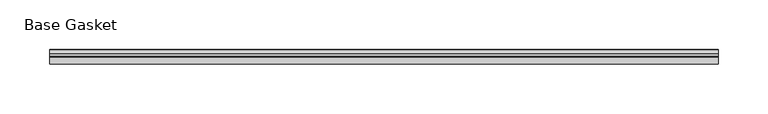
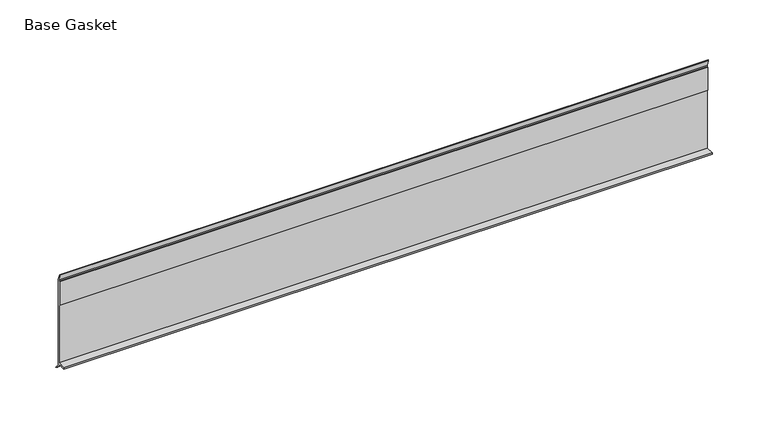
"""IFC4 building model written with IfcOpenShell, lengths in millimetres: furniture geometry, Base Gasket."""

from ifc_helpers import new_model, si_unit, frame, origin, place, context, project, spatial, polyline, outline, extrude, source, transform, mapped, element, save


def base_gasket_cc0168f6(model_context):
    return source(origin(), model_context, "Body", "SweptSolid", [
        extrude(outline(polyline([(3.7283812, 98.4568417), (3.7283812, 4.3498477), (7.4222115, 0.6560174), (7.8482342, 0.0), (6.8281054, 0.3520979), (2.2043812, 4.3498477), (2.1334222, 6.3818476), (-6.2405171, 6.3818476), (-6.2405171, 7.9398773), (2.2043812, 7.9398773), (2.2043812, 71.4693447), (1.4106313, 71.4693447), (1.4106313, 96.8693477), (2.2043812, 96.8693477), (2.2043812, 98.4568417), (0.6755308, 104.4162708), (0.6755308, 105.2002997), (1.1891543, 104.587663), (3.7283812, 98.4568417)])), frame((-1527.8982117, 0.0, 0.0), z_axis=(1.0, 0.0, 0.0), x_axis=(0.0, 1.0, 0.0)), (0.0, 0.0, 1.0), 668.6798568),
    ])


if __name__ == "__main__":
    model = new_model("IFC4")
    model_context = context("Model", 3, world=origin())
    ifc_project = project(units=[si_unit("LENGTHUNIT", "METRE", prefix="MILLI")], contexts=[model_context])
    site = spatial("IfcSite", under=ifc_project)
    building = spatial("IfcBuilding", under=site)
    placement = place(None, origin())
    base_gasket_shape = base_gasket_cc0168f6(model_context)
    element("IfcFurniture", 1, ObjectType="Base Gasket", at=placement, inside=building, context=model_context, shape_type="MappedRepresentation", body=[
        mapped(base_gasket_shape, transform((0.0, 0.0, 0.0), x_axis=(1.0, 0.0, 0.0), y_axis=(0.0, 1.0, 0.0), z_axis=(0.0, 0.0, 1.0))),
    ])
    save(model, "model.ifc")
